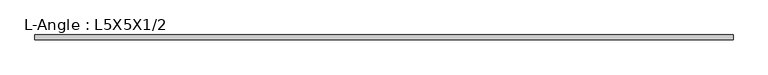
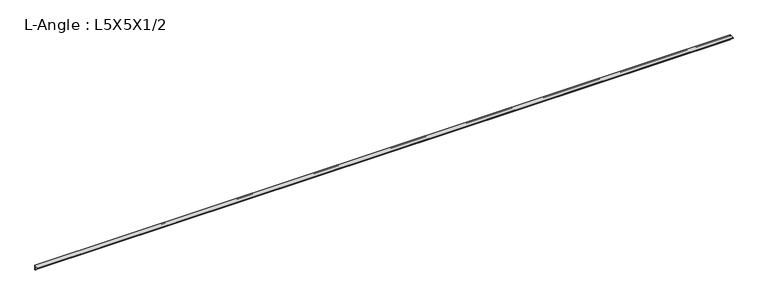
"""IFC4 building model written with IfcOpenShell, lengths in millimetres: beam geometry, L-Angle : L5X5X1/2."""

from ifc_helpers import new_model, si_unit, point, frame, frame_2d, origin, place, context, project, spatial, polyline, circle_curve, trimmed, segment, composite_curve, outline, extrude, source, transform, mapped, element, save


def l_angle_l5x5x1_2_6ab6eebb(model_context):
    return source(origin(), model_context, "Body", "SweptSolid", [
        extrude(outline(composite_curve([segment(polyline([(36.068, 36.068), (36.068, -90.932)]), True, "CONTINUOUS"), segment(trimmed(circle_curve(frame_2d((36.068, -78.232)), 12.7), [point((36.068, -90.932))], [point((23.368, -78.232))], False, "CARTESIAN"), True, "CONTINUOUS"), segment(polyline([(23.368, -78.232), (23.368, 10.668)]), True, "CONTINUOUS"), segment(trimmed(circle_curve(frame_2d((10.668, 10.668)), 12.7), [point((23.368, 10.668))], [point((10.668, 23.368))], True, "CARTESIAN"), True, "CONTINUOUS"), segment(polyline([(10.668, 23.368), (-78.232, 23.368)]), True, "CONTINUOUS"), segment(trimmed(circle_curve(frame_2d((-78.232, 36.068)), 12.7), [point((-78.232, 23.368))], [point((-90.932, 36.068))], False, "CARTESIAN"), True, "CONTINUOUS"), segment(polyline([(-90.932, 36.068), (36.068, 36.068)]), True, "CONTINUOUS")], self_intersect=False)), frame((-8701.3955115, 0.0, 0.0), z_axis=(1.0, 0.0, 0.0), x_axis=(0.0, 1.0, 0.0)), (0.0, 0.0, 1.0), 17538.7),
    ])


if __name__ == "__main__":
    model = new_model("IFC4")
    model_context = context("Model", 3, world=origin())
    ifc_project = project(units=[si_unit("LENGTHUNIT", "METRE", prefix="MILLI")], contexts=[model_context])
    site = spatial("IfcSite", under=ifc_project)
    building = spatial("IfcBuilding", under=site)
    placement = place(None, origin())
    l_angle_l5x5x1_2_shape = l_angle_l5x5x1_2_6ab6eebb(model_context)
    element("IfcBeam", 1, ObjectType="L-Angle : L5X5X1/2", at=placement, inside=building, context=model_context, shape_type="MappedRepresentation", body=[
        mapped(l_angle_l5x5x1_2_shape, transform((0.0, 0.0, 0.0), x_axis=(1.0, 0.0, 0.0), y_axis=(0.0, 1.0, 0.0), z_axis=(0.0, 0.0, 1.0))),
    ])
    save(model, "model.ifc")
